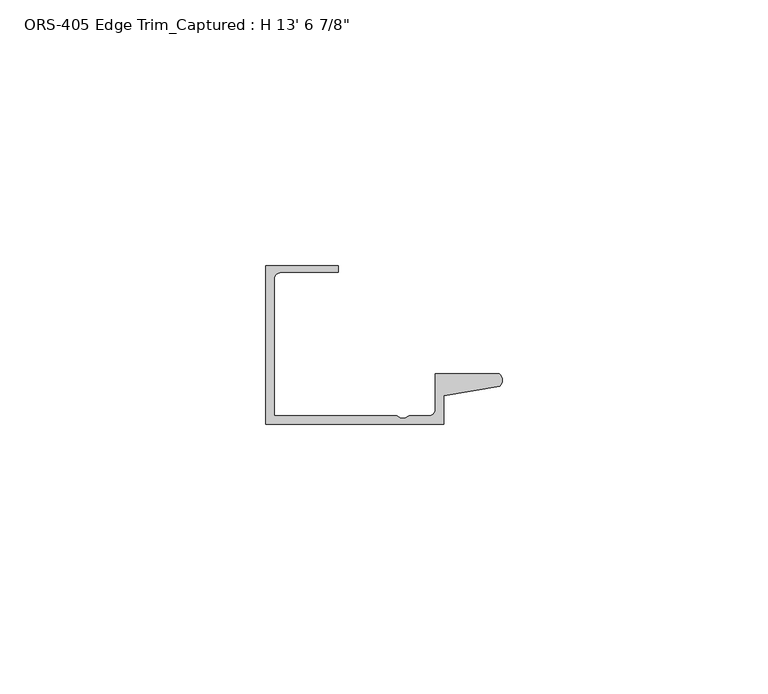
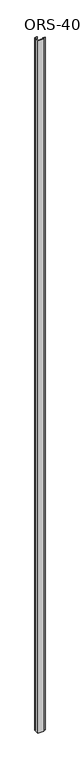
"""IFC4 building model written with IfcOpenShell, lengths in millimetres: proxy geometry."""

import ifcopenshell
import ifcopenshell.guid

model = None  # the IFC model being written
_history = None  # IfcOwnerHistory: only IFC2X3 demands one
_inside = {}  # id of a spatial element -> (the spatial element, [elements in it])
_under = {}  # id of a project, library or spatial element -> (it, [spatial elements below it])
_declared = {}  # id of a project -> (the project, [libraries it declares])
_typed = {}  # id of a type object -> (the type object, [elements of that type])
_made_of = {}  # id of a material, layer set ... -> (it, [elements and type objects made of it])


def new_model(schema):
    """Start an empty IFC model of exactly this schema.

    Asked for "IFC4X3", IfcOpenShell would pick the latest addendum, in which some entities
    have other attributes; the version numbers below select the first issue.
    IFC2X3 requires an IfcOwnerHistory on every rooted entity: one is made here for all.
    """
    global model, _history
    if schema == "IFC4X3":
        model = ifcopenshell.file(schema_version=(4, 3, 0, 0))
    else:
        model = ifcopenshell.file(schema=schema)
    _inside.clear()
    _under.clear()
    _declared.clear()
    _typed.clear()
    _made_of.clear()
    _history = None
    if model.schema == "IFC2X3":
        org = make("IfcOrganization", Name="unknown")
        user = make(
            "IfcPersonAndOrganization",
            ThePerson=make("IfcPerson", FamilyName="unknown"),
            TheOrganization=org,
        )
        app = make(
            "IfcApplication",
            ApplicationDeveloper=org,
            Version="unknown",
            ApplicationFullName="unknown",
            ApplicationIdentifier="unknown",
        )
        _history = make(
            "IfcOwnerHistory",
            OwningUser=user,
            OwningApplication=app,
            ChangeAction="ADDED",
            CreationDate=0,
        )
    return model


def make(cls, **values):
    """One entity of the class cls with the attributes given. An attribute that is None is left unset."""
    return model.create_entity(
        cls, **{name: value for name, value in values.items() if value is not None}
    )


def rooted(cls, **values):
    """An entity with a GlobalId (a new one), such as an element, a storey or a relation."""
    return make(cls, GlobalId=ifcopenshell.guid.new(), OwnerHistory=_history, **values)


def si_unit(unit_type, name, prefix=None):
    """IfcSIUnit, for example si_unit("LENGTHUNIT", "METRE", prefix="MILLI")."""
    return make("IfcSIUnit", UnitType=unit_type, Prefix=prefix, Name=name)


def assignment(units):
    """IfcUnitAssignment: the units of a project."""
    return None if units is None else make("IfcUnitAssignment", Units=units)


def point(xyz):
    """IfcCartesianPoint."""
    return None if xyz is None else make("IfcCartesianPoint", Coordinates=xyz)


def direction(xyz):
    """IfcDirection."""
    return None if xyz is None else make("IfcDirection", DirectionRatios=xyz)


def frame(location, z_axis=None, x_axis=None):
    """IfcAxis2Placement3D, a coordinate frame: its origin and axes. An axis left out is left unset."""
    return make(
        "IfcAxis2Placement3D",
        Location=point(location),
        Axis=direction(z_axis),
        RefDirection=direction(x_axis),
    )


def frame_2d(location, x_axis=None):
    """IfcAxis2Placement2D, a coordinate frame in the plane: its origin and x axis."""
    return make(
        "IfcAxis2Placement2D", Location=point(location), RefDirection=direction(x_axis)
    )


def origin():
    """The frame at (0, 0, 0) with its axes left unset."""
    return frame((0.0, 0.0, 0.0))


def origin_with_axes():
    """The frame at (0, 0, 0) with the z axis (0, 0, 1) and the x axis (1, 0, 0) written out."""
    return frame((0.0, 0.0, 0.0), z_axis=(0.0, 0.0, 1.0), x_axis=(1.0, 0.0, 0.0))


def place(relative_to, where):
    """IfcLocalPlacement: puts the frame where relative to a parent placement (None: the world)."""
    return make(
        "IfcLocalPlacement", PlacementRelTo=relative_to, RelativePlacement=where
    )


def context(
    kind, dimensions, precision=None, world=None, true_north=None, identifier=None
):
    """IfcGeometricRepresentationContext, for example the 3D "Model" context."""
    return make(
        "IfcGeometricRepresentationContext",
        ContextIdentifier=identifier,
        ContextType=kind,
        CoordinateSpaceDimension=dimensions,
        Precision=precision,
        WorldCoordinateSystem=world,
        TrueNorth=true_north,
    )


def project(units=None, contexts=None):
    """IfcProject with its units and contexts."""
    return rooted(
        "IfcProject",
        Name="project",
        RepresentationContexts=contexts,
        UnitsInContext=assignment(units),
    )


def spatial(cls, under=None, at=None, **own):
    """A site, building, storey or space (cls), placed at a placement, below another one or the project."""
    s = rooted(cls, ObjectPlacement=at, **own)
    if under is not None:
        _under.setdefault(under.id(), (under, []))[1].append(s)
    return s


def polyline(points):
    """IfcPolyline through the points."""
    return make("IfcPolyline", Points=[point(p) for p in points])


def circle_curve(where, radius):
    """IfcCircle in the frame where."""
    return make("IfcCircle", Position=where, Radius=radius)


def trimmed(basis, trim1, trim2, sense, master):
    """IfcTrimmedCurve: the piece of a basis curve between two trims."""
    return make(
        "IfcTrimmedCurve",
        BasisCurve=basis,
        Trim1=trim1,
        Trim2=trim2,
        SenseAgreement=sense,
        MasterRepresentation=master,
    )


def segment(curve, same_sense, transition):
    """IfcCompositeCurveSegment."""
    return make(
        "IfcCompositeCurveSegment",
        Transition=transition,
        SameSense=same_sense,
        ParentCurve=curve,
    )


def composite_curve(segments, self_intersect=None):
    """IfcCompositeCurve: segments joined end to end."""
    return make("IfcCompositeCurve", Segments=segments, SelfIntersect=self_intersect)


def outline(outer, holes=None, kind="AREA"):
    """IfcArbitraryClosedProfileDef: a profile drawn as a closed curve; with holes, ...WithVoids."""
    if holes is None:
        return make("IfcArbitraryClosedProfileDef", ProfileType=kind, OuterCurve=outer)
    return make(
        "IfcArbitraryProfileDefWithVoids",
        ProfileType=kind,
        OuterCurve=outer,
        InnerCurves=holes,
    )


def extrude(swept, where, along, depth):
    """IfcExtrudedAreaSolid: the profile swept, set in the frame where, extruded along a direction by depth."""
    return make(
        "IfcExtrudedAreaSolid",
        SweptArea=swept,
        Position=where,
        ExtrudedDirection=direction(along),
        Depth=depth,
    )


def shape(context_of_items, identifier, shape_type, items):
    """IfcShapeRepresentation: the items that make up one representation, for example the "Body"."""
    return make(
        "IfcShapeRepresentation",
        ContextOfItems=context_of_items,
        RepresentationIdentifier=identifier,
        RepresentationType=shape_type,
        Items=items,
    )


def source(mapping_origin, context_of_items, identifier, shape_type, items):
    """IfcRepresentationMap: a shape defined once, which mapped items show again and again."""
    return make(
        "IfcRepresentationMap",
        MappingOrigin=mapping_origin,
        MappedRepresentation=shape(context_of_items, identifier, shape_type, items),
    )


def transform(
    local_origin,
    x_axis=None,
    y_axis=None,
    z_axis=None,
    scale=None,
    scale2=None,
    scale3=None,
    uniform=True,
):
    """IfcCartesianTransformationOperator3D, or its non-uniform kind. x_axis, y_axis, z_axis: its Axis1, 2, 3."""
    if uniform:
        return make(
            "IfcCartesianTransformationOperator3D",
            Axis1=direction(x_axis),
            Axis2=direction(y_axis),
            LocalOrigin=point(local_origin),
            Scale=scale,
            Axis3=direction(z_axis),
        )
    return make(
        "IfcCartesianTransformationOperator3DnonUniform",
        Axis1=direction(x_axis),
        Axis2=direction(y_axis),
        LocalOrigin=point(local_origin),
        Scale=scale,
        Axis3=direction(z_axis),
        Scale2=scale2,
        Scale3=scale3,
    )


def mapped(mapping_source, mapping_target):
    """IfcMappedItem: shows the shape of a source again, moved by a transform."""
    return make(
        "IfcMappedItem", MappingSource=mapping_source, MappingTarget=mapping_target
    )


def made_of(thing, what):
    """Note that an element or type object is made of a material, layer set ...; save() writes the relation."""
    if what is not None:
        _made_of.setdefault(what.id(), (what, []))[1].append(thing)
    return thing


def element(
    cls,
    number,
    at=None,
    inside=None,
    cuts=None,
    type_object=None,
    material=None,
    context=None,
    identifier="Body",
    shape_type=None,
    held_by="IfcProductDefinitionShape",
    body=None,
    shapes=None,
    **own,
):
    """One element of the class cls, such as IfcWall. Its Tag is "e" and its number.

    at: its placement. inside: the storey or other place that contains it. cuts: it is an
    opening in that element (IfcRelVoidsElement). A single representation is given by context,
    identifier, shape_type and body (its items); several are given by shapes. held_by: the class
    of the entity that holds the representations. save() writes the other relations.
    """
    e = rooted(cls, Tag="e%d" % number, ObjectPlacement=at, **own)
    if body is not None:
        shapes = [shape(context, identifier, shape_type, body)]
    if shapes is not None:
        e.Representation = make(held_by, Representations=shapes)
    if inside is not None:
        _inside.setdefault(inside.id(), (inside, []))[1].append(e)
    if cuts is not None:
        rooted(
            "IfcRelVoidsElement", RelatingBuildingElement=cuts, RelatedOpeningElement=e
        )
    if type_object is not None:
        _typed.setdefault(type_object.id(), (type_object, []))[1].append(e)
    return made_of(e, material)


def aggregate(whole, parts):
    """IfcRelAggregates: a whole, such as a stair, and the parts it consists of."""
    return rooted("IfcRelAggregates", RelatingObject=whole, RelatedObjects=parts)


def save(model, path):
    """Write the relations noted so far, then the file.

    IfcRelAggregates (storeys below a building ...), IfcRelContainedInSpatialStructure (elements
    in a storey), IfcRelDefinesByType, IfcRelAssociatesMaterial and IfcRelDeclares: one each for
    every whole, place, type object, material and project.
    """
    for whole, parts in _under.values():
        aggregate(whole, parts)
    for where, things in _inside.values():
        rooted(
            "IfcRelContainedInSpatialStructure",
            RelatedElements=things,
            RelatingStructure=where,
        )
    for kind, things in _typed.values():
        rooted("IfcRelDefinesByType", RelatedObjects=things, RelatingType=kind)
    for what, things in _made_of.values():
        rooted("IfcRelAssociatesMaterial", RelatedObjects=things, RelatingMaterial=what)
    for by, libraries in _declared.values():
        rooted("IfcRelDeclares", RelatingContext=by, RelatedDefinitions=libraries)
    model.write(path)


def proxy_cdad0919(model_context):
    return source(origin(), model_context, "Body", "SweptSolid", [
        extrude(outline(composite_curve([segment(polyline([(44.0420567, -12.4813352), (33.4659698, -14.292309), (33.4659698, -19.6849659), (0.0, -19.6849659), (0.0, 10.1600341), (13.6622233, 10.1600341), (13.6622233, 8.8900341), (2.8448, 8.8900341)]), True, "CONTINUOUS"), segment(trimmed(circle_curve(frame_2d((2.8448, 7.6200341)), 1.27), [point((2.8448, 8.8900341))], [point((1.5748, 7.6200341))], True, "CARTESIAN"), True, "CONTINUOUS"), segment(polyline([(1.5748, 7.6200341), (1.5748, -18.1101659), (24.6126, -18.1101659), (25.3873893, -18.5165659), (26.2000107, -18.5165659), (26.9748, -18.1101659), (30.6211698, -18.1101659)]), True, "CONTINUOUS"), segment(trimmed(circle_curve(frame_2d((30.6211698, -16.8401659)), 1.27), [point((30.6211698, -18.1101659))], [point((31.8911698, -16.8401659))], True, "CARTESIAN"), True, "CONTINUOUS"), segment(polyline([(31.8911698, -16.8401659), (31.8911698, -10.1599659), (43.9759729, -10.1599659)]), True, "CONTINUOUS"), segment(trimmed(circle_curve(frame_2d((42.8852152, -11.3526424)), 1.6162393), [point((43.9759729, -10.1599659))], [point((44.0420567, -12.4813352))], False, "CARTESIAN"), True, "CONTINUOUS")], self_intersect=False)), origin_with_axes(), (0.0, 0.0, 1.0), 4137.025),
    ])


if __name__ == "__main__":
    model = new_model("IFC4")
    model_context = context("Model", 3, world=origin())
    ifc_project = project(units=[si_unit("LENGTHUNIT", "METRE", prefix="MILLI")], contexts=[model_context])
    site = spatial("IfcSite", under=ifc_project)
    building = spatial("IfcBuilding", under=site)
    placement = place(None, origin())
    proxy_shape = proxy_cdad0919(model_context)
    element("IfcBuildingElementProxy", 1, Name="ORS-405 Edge Trim_Captured : H 13' 6 7/8\"", ObjectType="ORS-405 Edge Trim_Captured : H 13' 6 7/8\"", at=placement, inside=building, context=model_context, shape_type="MappedRepresentation", body=[
        mapped(proxy_shape, transform((0.0, 0.0, 0.0), x_axis=(1.0, 0.0, 0.0), y_axis=(0.0, 1.0, 0.0), z_axis=(0.0, 0.0, 1.0))),
    ])
    save(model, "model.ifc")
